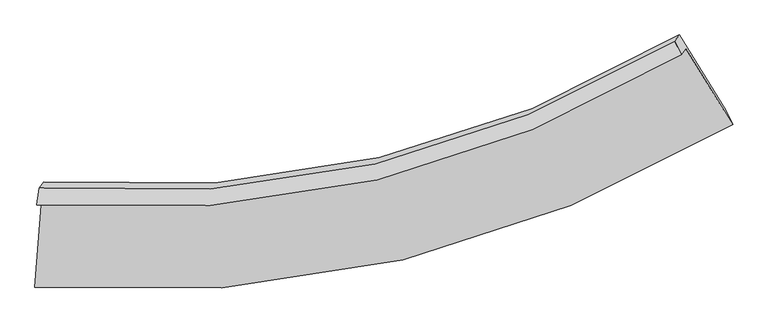
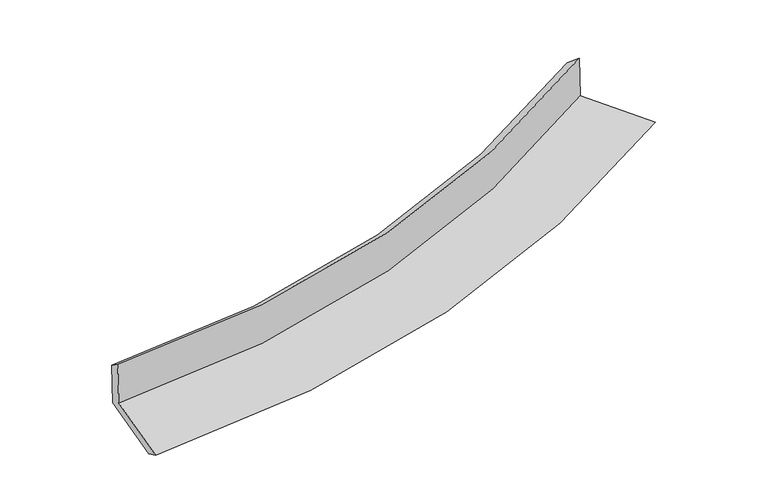
"""IFC4 building model written with IfcOpenShell, lengths in millimetres: proxy geometry."""

import ifcopenshell
import ifcopenshell.guid

model = None  # the IFC model being written
_history = None  # IfcOwnerHistory: only IFC2X3 demands one
_inside = {}  # id of a spatial element -> (the spatial element, [elements in it])
_under = {}  # id of a project, library or spatial element -> (it, [spatial elements below it])
_declared = {}  # id of a project -> (the project, [libraries it declares])
_typed = {}  # id of a type object -> (the type object, [elements of that type])
_made_of = {}  # id of a material, layer set ... -> (it, [elements and type objects made of it])


def new_model(schema):
    """Start an empty IFC model of exactly this schema.

    Asked for "IFC4X3", IfcOpenShell would pick the latest addendum, in which some entities
    have other attributes; the version numbers below select the first issue.
    IFC2X3 requires an IfcOwnerHistory on every rooted entity: one is made here for all.
    """
    global model, _history
    if schema == "IFC4X3":
        model = ifcopenshell.file(schema_version=(4, 3, 0, 0))
    else:
        model = ifcopenshell.file(schema=schema)
    _inside.clear()
    _under.clear()
    _declared.clear()
    _typed.clear()
    _made_of.clear()
    _history = None
    if model.schema == "IFC2X3":
        org = make("IfcOrganization", Name="unknown")
        user = make(
            "IfcPersonAndOrganization",
            ThePerson=make("IfcPerson", FamilyName="unknown"),
            TheOrganization=org,
        )
        app = make(
            "IfcApplication",
            ApplicationDeveloper=org,
            Version="unknown",
            ApplicationFullName="unknown",
            ApplicationIdentifier="unknown",
        )
        _history = make(
            "IfcOwnerHistory",
            OwningUser=user,
            OwningApplication=app,
            ChangeAction="ADDED",
            CreationDate=0,
        )
    return model


def make(cls, **values):
    """One entity of the class cls with the attributes given. An attribute that is None is left unset."""
    return model.create_entity(
        cls, **{name: value for name, value in values.items() if value is not None}
    )


def rooted(cls, **values):
    """An entity with a GlobalId (a new one), such as an element, a storey or a relation."""
    return make(cls, GlobalId=ifcopenshell.guid.new(), OwnerHistory=_history, **values)


def si_unit(unit_type, name, prefix=None):
    """IfcSIUnit, for example si_unit("LENGTHUNIT", "METRE", prefix="MILLI")."""
    return make("IfcSIUnit", UnitType=unit_type, Prefix=prefix, Name=name)


def assignment(units):
    """IfcUnitAssignment: the units of a project."""
    return None if units is None else make("IfcUnitAssignment", Units=units)


def point(xyz):
    """IfcCartesianPoint."""
    return None if xyz is None else make("IfcCartesianPoint", Coordinates=xyz)


def direction(xyz):
    """IfcDirection."""
    return None if xyz is None else make("IfcDirection", DirectionRatios=xyz)


def frame(location, z_axis=None, x_axis=None):
    """IfcAxis2Placement3D, a coordinate frame: its origin and axes. An axis left out is left unset."""
    return make(
        "IfcAxis2Placement3D",
        Location=point(location),
        Axis=direction(z_axis),
        RefDirection=direction(x_axis),
    )


def origin():
    """The frame at (0, 0, 0) with its axes left unset."""
    return frame((0.0, 0.0, 0.0))


def place(relative_to, where):
    """IfcLocalPlacement: puts the frame where relative to a parent placement (None: the world)."""
    return make(
        "IfcLocalPlacement", PlacementRelTo=relative_to, RelativePlacement=where
    )


def context(
    kind, dimensions, precision=None, world=None, true_north=None, identifier=None
):
    """IfcGeometricRepresentationContext, for example the 3D "Model" context."""
    return make(
        "IfcGeometricRepresentationContext",
        ContextIdentifier=identifier,
        ContextType=kind,
        CoordinateSpaceDimension=dimensions,
        Precision=precision,
        WorldCoordinateSystem=world,
        TrueNorth=true_north,
    )


def project(units=None, contexts=None):
    """IfcProject with its units and contexts."""
    return rooted(
        "IfcProject",
        Name="project",
        RepresentationContexts=contexts,
        UnitsInContext=assignment(units),
    )


def spatial(cls, under=None, at=None, **own):
    """A site, building, storey or space (cls), placed at a placement, below another one or the project."""
    s = rooted(cls, ObjectPlacement=at, **own)
    if under is not None:
        _under.setdefault(under.id(), (under, []))[1].append(s)
    return s


def shape(context_of_items, identifier, shape_type, items):
    """IfcShapeRepresentation: the items that make up one representation, for example the "Body"."""
    return make(
        "IfcShapeRepresentation",
        ContextOfItems=context_of_items,
        RepresentationIdentifier=identifier,
        RepresentationType=shape_type,
        Items=items,
    )


def source(mapping_origin, context_of_items, identifier, shape_type, items):
    """IfcRepresentationMap: a shape defined once, which mapped items show again and again."""
    return make(
        "IfcRepresentationMap",
        MappingOrigin=mapping_origin,
        MappedRepresentation=shape(context_of_items, identifier, shape_type, items),
    )


def transform(
    local_origin,
    x_axis=None,
    y_axis=None,
    z_axis=None,
    scale=None,
    scale2=None,
    scale3=None,
    uniform=True,
):
    """IfcCartesianTransformationOperator3D, or its non-uniform kind. x_axis, y_axis, z_axis: its Axis1, 2, 3."""
    if uniform:
        return make(
            "IfcCartesianTransformationOperator3D",
            Axis1=direction(x_axis),
            Axis2=direction(y_axis),
            LocalOrigin=point(local_origin),
            Scale=scale,
            Axis3=direction(z_axis),
        )
    return make(
        "IfcCartesianTransformationOperator3DnonUniform",
        Axis1=direction(x_axis),
        Axis2=direction(y_axis),
        LocalOrigin=point(local_origin),
        Scale=scale,
        Axis3=direction(z_axis),
        Scale2=scale2,
        Scale3=scale3,
    )


def mapped(mapping_source, mapping_target):
    """IfcMappedItem: shows the shape of a source again, moved by a transform."""
    return make(
        "IfcMappedItem", MappingSource=mapping_source, MappingTarget=mapping_target
    )


def made_of(thing, what):
    """Note that an element or type object is made of a material, layer set ...; save() writes the relation."""
    if what is not None:
        _made_of.setdefault(what.id(), (what, []))[1].append(thing)
    return thing


def element(
    cls,
    number,
    at=None,
    inside=None,
    cuts=None,
    type_object=None,
    material=None,
    context=None,
    identifier="Body",
    shape_type=None,
    held_by="IfcProductDefinitionShape",
    body=None,
    shapes=None,
    **own,
):
    """One element of the class cls, such as IfcWall. Its Tag is "e" and its number.

    at: its placement. inside: the storey or other place that contains it. cuts: it is an
    opening in that element (IfcRelVoidsElement). A single representation is given by context,
    identifier, shape_type and body (its items); several are given by shapes. held_by: the class
    of the entity that holds the representations. save() writes the other relations.
    """
    e = rooted(cls, Tag="e%d" % number, ObjectPlacement=at, **own)
    if body is not None:
        shapes = [shape(context, identifier, shape_type, body)]
    if shapes is not None:
        e.Representation = make(held_by, Representations=shapes)
    if inside is not None:
        _inside.setdefault(inside.id(), (inside, []))[1].append(e)
    if cuts is not None:
        rooted(
            "IfcRelVoidsElement", RelatingBuildingElement=cuts, RelatedOpeningElement=e
        )
    if type_object is not None:
        _typed.setdefault(type_object.id(), (type_object, []))[1].append(e)
    return made_of(e, material)


def aggregate(whole, parts):
    """IfcRelAggregates: a whole, such as a stair, and the parts it consists of."""
    return rooted("IfcRelAggregates", RelatingObject=whole, RelatedObjects=parts)


def save(model, path):
    """Write the relations noted so far, then the file.

    IfcRelAggregates (storeys below a building ...), IfcRelContainedInSpatialStructure (elements
    in a storey), IfcRelDefinesByType, IfcRelAssociatesMaterial and IfcRelDeclares: one each for
    every whole, place, type object, material and project.
    """
    for whole, parts in _under.values():
        aggregate(whole, parts)
    for where, things in _inside.values():
        rooted(
            "IfcRelContainedInSpatialStructure",
            RelatedElements=things,
            RelatingStructure=where,
        )
    for kind, things in _typed.values():
        rooted("IfcRelDefinesByType", RelatedObjects=things, RelatingType=kind)
    for what, things in _made_of.values():
        rooted("IfcRelAssociatesMaterial", RelatedObjects=things, RelatingMaterial=what)
    for by, libraries in _declared.values():
        rooted("IfcRelDeclares", RelatingContext=by, RelatedDefinitions=libraries)
    model.write(path)


def plane_surface(at):
    """IfcPlane: the flat surface through the origin of the frame at, square to its z axis."""
    return make("IfcPlane", Position=at)


def spline_curve(degree, points, multiplicities, knots, weights=None):
    """IfcBSplineCurveWithKnots; with weights, IfcRationalBSplineCurveWithKnots."""
    own = dict(
        Degree=degree,
        ControlPointsList=[point(p) for p in points],
        CurveForm="UNSPECIFIED",
        ClosedCurve=False,
        SelfIntersect=False,
        KnotMultiplicities=multiplicities,
        Knots=knots,
        KnotSpec="UNSPECIFIED",
    )
    if weights is None:
        return make("IfcBSplineCurveWithKnots", **own)
    return make("IfcRationalBSplineCurveWithKnots", WeightsData=weights, **own)


def spline_surface(u_degree, v_degree, points, u_multiplicities, v_multiplicities, u_knots, v_knots, weights=None):
    """IfcBSplineSurfaceWithKnots; with weights, IfcRationalBSplineSurfaceWithKnots. points: one row for each step in u."""
    own = dict(
        UDegree=u_degree,
        VDegree=v_degree,
        ControlPointsList=[[point(p) for p in row] for row in points],
        SurfaceForm="UNSPECIFIED",
        UClosed=False,
        VClosed=False,
        SelfIntersect=False,
        UMultiplicities=u_multiplicities,
        VMultiplicities=v_multiplicities,
        UKnots=u_knots,
        VKnots=v_knots,
        KnotSpec="UNSPECIFIED",
    )
    if weights is None:
        return make("IfcBSplineSurfaceWithKnots", **own)
    return make("IfcRationalBSplineSurfaceWithKnots", WeightsData=weights, **own)


def advanced_brep(points, edges, surfaces, faces):
    """IfcAdvancedBrep: a solid bounded by faces that lie on surfaces and meet in shared edges.

    An edge is (start, end): straight between two places in points (the first is 0);
    or (start, end, curve); or (start, end, curve, False) where it runs against its curve.
    A face is (place in surfaces, loops), or (place, loops, False) where it looks against
    its surface's normal. A loop lists edges by number (the first is 1), with a minus sign
    where the edge is run from its end to its start. The first loop is the outer one.
    """
    corners = [point(p) for p in points]
    vertices = [make("IfcVertexPoint", VertexGeometry=c) for c in corners]
    made = []
    for start, end, *more in edges:
        made.append(
            make(
                "IfcEdgeCurve",
                EdgeStart=vertices[start],
                EdgeEnd=vertices[end],
                EdgeGeometry=more[0] if more else make("IfcPolyline", Points=[corners[start], corners[end]]),
                SameSense=more[1] if len(more) > 1 else True,
            )
        )
    hull = []
    for where, loops, *sense in faces:
        bounds = []
        for j, loop in enumerate(loops):
            ring = [make("IfcOrientedEdge", EdgeElement=made[abs(k) - 1], Orientation=k > 0) for k in loop]
            bounds.append(
                make(
                    "IfcFaceOuterBound" if j == 0 else "IfcFaceBound",
                    Bound=make("IfcEdgeLoop", EdgeList=ring),
                    Orientation=True,
                )
            )
        hull.append(make("IfcAdvancedFace", Bounds=bounds, FaceSurface=surfaces[where], SameSense=sense[0] if sense else True))
    return make("IfcAdvancedBrep", Outer=make("IfcClosedShell", CfsFaces=hull))


def generic_models_a347653a(model_context):
    return source(origin(), model_context, "Body", "AdvancedBrep", [
        advanced_brep(
        [(-2508.4056157, -1967.8996755, 2028.2623058), (-2471.3219253, -1921.5839141, 1619.1067243), (2306.9648684, -809.1046354, 2184.667918), (2271.5106292, -853.38529, 2575.8452713), (-2490.1152378, -1841.9871961, 1934.5518348), (2222.8801851, -750.8142574, 2491.6163556), (-2454.3064653, -1797.2637464, 1539.462809), (2259.0818761, -705.6000712, 2092.1921405), (-2502.4738865, -2437.4267688, 1462.631733), (2600.9721112, -1262.5021698, 2060.1388246), (-2520.8270686, -2579.5257628, 1540.1418694), (2652.9208157, -1372.6293381, 2152.2334284)],
        [
            (0, 1),
            (1, 2, spline_curve(3, [(-2471.3219253, -1921.5839141, 1619.1067243), (-1597.286002501, -1990.825395799, 1695.084172846), (-755.862234172, -1928.977553511, 1781.171833988), (834.75886876, -1549.544416452, 1970.356021051), (1586.097365382, -1240.56583237, 2072.788758059), (2306.9648684, -809.1046354, 2184.667918)], [4, 2, 4], [0.0, 8.360324711167125, 16.44154052441479])),
            (2, 3),
            (3, 0, spline_curve(3, [(2271.5106292, -853.38529, 2575.8452713), (1550.430856078, -1285.111602299, 2466.308152219), (798.853206147, -1594.388877352, 2366.514066458), (-792.309158327, -1974.498024243, 2183.301779581), (-1634.036923553, -2036.725544278, 2100.56821018), (-2508.4056157, -1967.8996755, 2028.2623058)], [4, 2, 4], [0.0, 8.081215813247665, 16.44154052441479])),
            (4, 0),
            (3, 5),
            (5, 4, spline_curve(3, [(2222.8801851, -750.8142574, 2491.6163556), (1511.666105443, -1175.458315537, 2382.209619449), (770.494044289, -1479.254709406, 2281.71830063), (-798.399317325, -1851.470847159, 2095.403651007), (-1628.225730619, -1911.398766476, 2010.206796278), (-2490.1152378, -1841.9871961, 1934.5518348)], [4, 2, 4], [0.0, 8.024827052765056, 16.326815449373917])),
            (6, 4),
            (5, 7),
            (7, 6, spline_curve(3, [(2259.0818761, -705.6000712, 2092.1921405), (1547.910361236, -1130.190968075, 1982.315773808), (806.72830311, -1433.999847832, 1881.934757987), (-762.292338226, -1806.374951513, 1697.024420217), (-1592.239726968, -1866.453963624, 1613.162325474), (-2454.3064653, -1797.2637464, 1539.462809)], [4, 2, 4], [0.0, 7.968439490039026, 16.212092811214298])),
            (8, 6),
            (7, 9),
            (9, 8, spline_curve(3, [(2600.9721112, -1262.5021698, 2060.1388246), (1828.013440061, -1724.928612862, 1940.379474422), (1024.002779787, -2054.681249857, 1831.367215232), (-674.963898942, -2455.645617346, 1631.442999235), (-1572.101904478, -2517.534513175, 1541.286227738), (-2502.4738865, -2437.4267688, 1462.631733)], [4, 2, 4], [0.0, 8.306141516020771, 16.89916041015823])),
            (10, 8),
            (9, 11),
            (11, 10, spline_curve(3, [(2652.9208157, -1372.6293381, 2152.2334284), (1869.091119021, -1838.443112059, 2030.759052021), (1053.891400277, -2172.492794393, 1919.700264674), (-668.486892964, -2584.050512392, 1714.937853383), (-1577.869802242, -2652.299638326, 1621.966121507), (-2520.8270686, -2579.5257628, 1540.1418694)], [4, 2, 4], [0.0, 8.69652169840677, 17.693403719204127])),
            (1, 10),
            (11, 2),
        ],
        [
            spline_surface(3, 3, [[(-2508.4056157, -1967.8996755, 2028.2623058), (-1634.036923537, -2036.725544214, 2100.568210198), (-792.309158367, -1974.49802424, 2183.30177962), (798.853206186, -1594.388877355, 2366.514066419), (1550.43085603, -1285.111602218, 2466.308152179), (2271.5106292, -853.38529, 2575.8452713)], [(-2496.044385561, -1952.461088351, 1891.877111937), (-1621.786616493, -2021.425494723, 1965.406864422), (-780.160183681, -1959.324534033, 2049.258464413), (810.821760422, -1579.440723688, 2234.461384649), (1562.319692491, -1270.263012252, 2335.13502076), (2283.32870894, -838.625071805, 2445.452820196)], [(-2483.683155439, -1937.022501249, 1755.491918163), (-1609.536309466, -2006.125445279, 1830.245518734), (-768.011208997, -1944.151043822, 1915.215149171), (822.790314657, -1564.492570018, 2102.408702844), (1574.208528931, -1255.414422271, 2203.961889353), (2295.14678866, -823.864853595, 2315.060369104)], [(-2471.3219253, -1921.5839141, 1619.1067243), (-1597.286002422, -1990.825395788, 1695.084172958), (-755.86223431, -1928.977553615, 1781.171833964), (834.758868893, -1549.544416352, 1970.356021074), (1586.097365392, -1240.565832306, 2072.788757933), (2306.9648684, -809.1046354, 2184.667918)]], [4, 4], [4, 2, 4], [0.0, 1.323561593112932], [0.0, 8.360324711167125, 16.44154052441479]),
            spline_surface(3, 3, [[(-2490.1152378, -1841.9871961, 1934.5518348), (-1628.225730567, -1911.398766597, 2010.206796204), (-798.399317378, -1851.470847283, 2095.403651007), (770.49404434, -1479.254709286, 2281.71830063), (1511.666105455, -1175.458315665, 2382.209619446), (2222.8801851, -750.8142574, 2491.6163556)], [(-2496.212030437, -1883.958022582, 1965.788658482), (-1630.162794894, -1953.174359151, 2040.327267551), (-796.369264401, -1892.479906264, 2124.703027183), (779.947098262, -1517.632765305, 2309.983555865), (1524.587688956, -1212.009411153, 2410.242463707), (2239.090333109, -785.00460157, 2519.69266085)], [(-2502.308823063, -1925.928849018, 1997.025482118), (-1632.09985921, -1994.949951659, 2070.447738852), (-794.339211344, -1933.488965259, 2154.002403444), (789.400152264, -1556.010821336, 2338.248811184), (1537.509272529, -1248.56050673, 2438.275307918), (2255.300481191, -819.19494583, 2547.76896605)], [(-2508.4056157, -1967.8996755, 2028.2623058), (-1634.036923537, -2036.725544214, 2100.568210198), (-792.309158367, -1974.49802424, 2183.30177962), (798.853206186, -1594.388877355, 2366.514066419), (1550.43085603, -1285.111602218, 2466.308152179), (2271.5106292, -853.38529, 2575.8452713)]], [4, 4], [4, 2, 4], [0.0, 0.48619133513495805], [0.0, 8.301988396608861, 16.326815449373917]),
            spline_surface(3, 3, [[(-2454.3064653, -1797.2637464, 1539.462809), (-1592.239726925, -1866.45396365, 1613.162325571), (-762.292338101, -1806.374951607, 1697.024420218), (806.728302989, -1433.999847741, 1881.934757986), (1547.91036127, -1130.19096804, 1982.315773856), (2259.0818761, -705.6000712, 2092.1921405)], [(-2466.242722785, -1812.171562964, 1671.159150932), (-1604.235061457, -1881.435564629, 1745.510482448), (-774.327997827, -1821.406916832, 1829.817497169), (794.650216805, -1449.084801588, 2015.195938889), (1535.828942664, -1145.280083925, 2115.613722384), (2247.014645765, -720.671466609, 2225.333545531)], [(-2478.178980315, -1827.079379536, 1802.855492868), (-1616.230396035, -1896.417165617, 1877.858639327), (-786.363657651, -1836.438882059, 1962.610574056), (782.572130523, -1464.169755439, 2148.457119727), (1523.747524062, -1160.369199781, 2248.911670918), (2234.947415435, -735.742861991, 2358.474950569)], [(-2490.1152378, -1841.9871961, 1934.5518348), (-1628.225730567, -1911.398766597, 2010.206796204), (-798.399317378, -1851.470847283, 2095.403651007), (770.49404434, -1479.254709286, 2281.71830063), (1511.666105455, -1175.458315665, 2382.209619446), (2222.8801851, -750.8142574, 2491.6163556)]], [4, 4], [4, 2, 4], [0.0, 1.3229363206792992], [0.0, 8.243653321175271, 16.212092811214298]),
            spline_surface(3, 3, [[(-2502.4738865, -2437.4267688, 1462.631733), (-1572.101904541, -2517.534513255, 1541.28622761), (-674.963898912, -2455.645617271, 1631.442999165), (1024.002779758, -2054.681249929, 1831.367215301), (1828.013440034, -1724.928612913, 1940.379474332), (2600.9721112, -1262.5021698, 2060.1388246)], [(-2486.41807943, -2224.039094668, 1488.242091653), (-1578.814511999, -2300.507663388, 1565.244926917), (-704.073378652, -2239.222062046, 1653.30347284), (951.577954158, -1847.787449197, 1848.223062853), (1734.645747133, -1526.682731294, 1954.358240845), (2487.00869952, -1076.868136939, 2070.823263238)], [(-2470.36227237, -2010.651420532, 1513.852450347), (-1585.527119467, -2083.480813517, 1589.203626264), (-733.182858361, -2022.798506832, 1675.163946543), (879.15312859, -1640.893648474, 1865.078910434), (1641.278054172, -1328.436849659, 1968.337007343), (2373.04528778, -891.234104061, 2081.507701862)], [(-2454.3064653, -1797.2637464, 1539.462809), (-1592.239726925, -1866.45396365, 1613.162325571), (-762.292338101, -1806.374951607, 1697.024420218), (806.728302989, -1433.999847741, 1881.934757986), (1547.91036127, -1130.19096804, 1982.315773856), (2259.0818761, -705.6000712, 2092.1921405)]], [4, 4], [4, 2, 4], [0.0, 2.150710511369577], [0.0, 8.59301889413746, 16.89916041015823]),
            spline_surface(3, 3, [[(-2520.8270686, -2579.5257628, 1540.1418694), (-1577.86980226, -2652.299638203, 1621.966121492), (-668.486892865, -2584.0505124, 1714.93785353), (1053.891400182, -2172.492794386, 1919.700264532), (1869.091118937, -1838.443112001, 2030.759052139), (2652.9208157, -1372.6293381, 2152.2334284)], [(-2514.709341253, -2532.15943145, 1514.305157286), (-1575.947169707, -2607.37792987, 1595.072823551), (-670.645894883, -2541.248880713, 1687.106235403), (1043.928526704, -2133.22227959, 1890.255914783), (1855.398559306, -1800.604945644, 2000.632526186), (2635.60458087, -1335.920282006, 2121.535227116)], [(-2508.591613847, -2484.79310015, 1488.468445114), (-1574.024537094, -2562.456221588, 1568.179525551), (-672.804896893, -2498.447248957, 1659.274617292), (1033.965653236, -2093.951764725, 1860.81156505), (1841.705999665, -1762.76677927, 1970.506000285), (2618.28834603, -1299.211225894, 2090.837025884)], [(-2502.4738865, -2437.4267688, 1462.631733), (-1572.101904541, -2517.534513255, 1541.28622761), (-674.963898912, -2455.645617271, 1631.442999165), (1024.002779758, -2054.681249929, 1831.367215301), (1828.013440034, -1724.928612913, 1940.379474332), (2600.9721112, -1262.5021698, 2060.1388246)]], [4, 4], [4, 2, 4], [0.0, 0.49630231547201437], [0.0, 8.996882020797358, 17.693403719204127]),
            spline_surface(3, 3, [[(-2471.3219253, -1921.5839141, 1619.1067243), (-1597.286002422, -1990.825395788, 1695.084172958), (-755.86223431, -1928.977553615, 1781.171833964), (834.758868893, -1549.544416352, 1970.356021074), (1586.097365392, -1240.565832306, 2072.788757933), (2306.9648684, -809.1046354, 2184.667918)], [(-2487.823639734, -2140.897863686, 1592.785106009), (-1590.813935703, -2211.316809946, 1670.711489145), (-726.737120488, -2147.335206528, 1759.093840495), (907.803045996, -1757.193875681, 1953.470768903), (1680.428616569, -1439.858258875, 2058.778856004), (2422.283517495, -996.94620297, 2173.856421469)], [(-2504.325354166, -2360.211813214, 1566.463487691), (-1584.34186898, -2431.808224046, 1646.338805305), (-697.612006687, -2365.692859487, 1737.015846999), (980.847223078, -1964.843335056, 1936.585516704), (1774.75986776, -1639.150685432, 2044.768954068), (2537.602166605, -1184.78777053, 2163.044924931)], [(-2520.8270686, -2579.5257628, 1540.1418694), (-1577.86980226, -2652.299638203, 1621.966121492), (-668.486892865, -2584.0505124, 1714.93785353), (1053.891400182, -2172.492794386, 1919.700264532), (1869.091118937, -1838.443112001, 2030.759052139), (2652.9208157, -1372.6293381, 2152.2334284)]], [4, 4], [4, 2, 4], [0.0, 2.1645437058699923], [0.0, 8.713718463305305, 17.136530001210332]),
            plane_surface(frame((2385.7217476, -959.0059603, 2259.4489897), z_axis=(0.8478711403059607, 0.5127565506794701, 0.1348897667414466), x_axis=(-0.5225601076976134, 0.8511937188812804, 0.04899170113513607))),
            plane_surface(frame((-2491.2416999, -2090.947844, 1687.3595461), z_axis=(-0.9931789765687292, 0.08438633514860502, -0.08046407236822706), x_axis=(-0.08969650650565084, -0.11202666054262511, 0.9896487073948762))),
        ],
        [
            (0, [[1, 2, 3, 4]]),
            (1, [[5, -4, 6, 7]]),
            (2, [[8, -7, 9, 10]]),
            (3, [[11, -10, 12, 13]]),
            (4, [[14, -13, 15, 16]]),
            (5, [[17, -16, 18, -2]]),
            (6, [[-12, -9, -6, -3, -18, -15]]),
            (7, [[-1, -5, -8, -11, -14, -17]]),
        ],
    ),
    ])


if __name__ == "__main__":
    model = new_model("IFC4")
    model_context = context("Model", 3, world=origin())
    ifc_project = project(units=[si_unit("LENGTHUNIT", "METRE", prefix="MILLI")], contexts=[model_context])
    site = spatial("IfcSite", under=ifc_project)
    building = spatial("IfcBuilding", under=site)
    placement = place(None, origin())
    generic_models_shape = generic_models_a347653a(model_context)
    element("IfcBuildingElementProxy", 1, Name="Generic Models", at=placement, inside=building, context=model_context, shape_type="MappedRepresentation", body=[
        mapped(generic_models_shape, transform((0.0, 0.0, 0.0), x_axis=(1.0, 0.0, 0.0), y_axis=(0.0, 1.0, 0.0), z_axis=(0.0, 0.0, 1.0))),
    ])
    save(model, "model.ifc")
